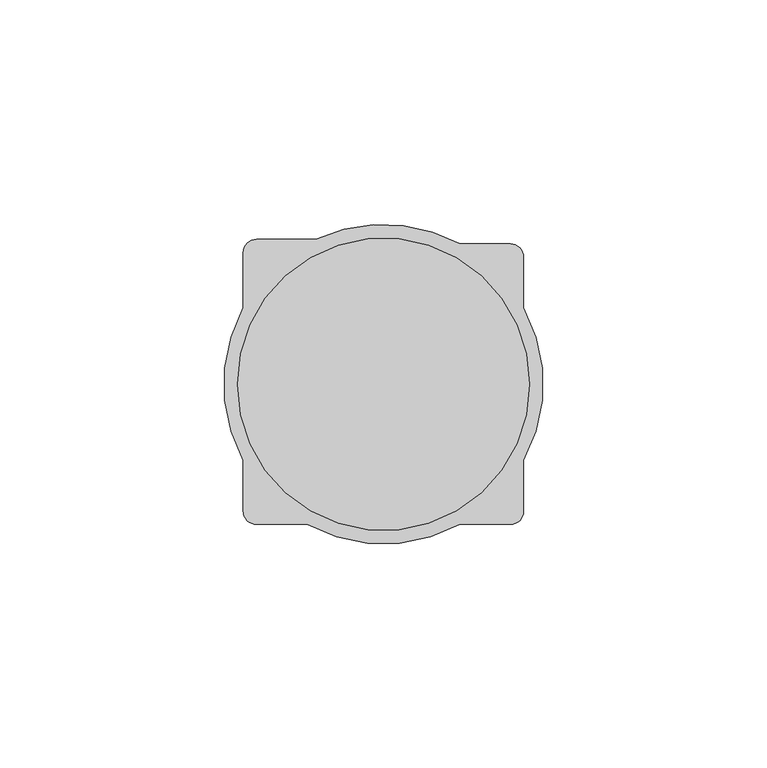
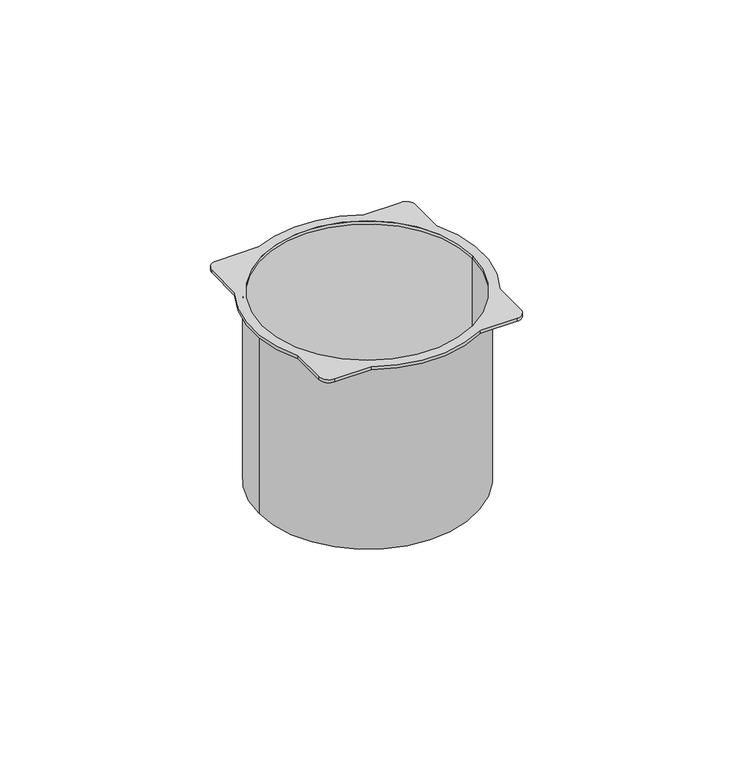
"""IFC4 building model written with IfcOpenShell, lengths in millimetres: proxy geometry."""

from ifc_helpers import new_model, si_unit, point, frame, origin, origin_with_axes, origin_2d, place, context, project, spatial, polyline, circle_curve, trimmed, segment, composite_curve, outline, extrude, source, transform, mapped, element, save
from ifc_brep_helpers import plane_surface, cylinder_surface, revolved_surface, advanced_brep


def electrical_fixtures_4da38d0d(model_context):
    return source(origin(), model_context, "Body", "SolidModel", [
        advanced_brep(
        [(33.5, 0.0, -60.0), (-33.5, 0.0, -60.0), (32.5, 0.0, -60.0), (-32.5, 0.0, -60.0), (-32.5, 0.0, 0.0), (32.5, 0.0, 0.0), (-33.5, 0.0, 0.0), (33.5, 0.0, 0.0), (31.1875, -16.9584741, 1.0), (31.1875, 16.9584741, 1.0), (31.1875, 28.1875, 1.0), (28.1875, 31.1875, 1.0), (16.9584741, 31.1875, 1.0), (-14.9738053, 32.1875, 1.0), (-28.1875, 32.1875, 1.0), (-31.1875, 29.1875, 1.0), (-31.1875, 16.9584741, 1.0), (-31.1875, -16.9584741, 1.0), (-31.1875, -28.1875, 1.0), (-28.1875, -31.1875, 1.0), (-16.9584741, -31.1875, 1.0), (16.9584741, -31.1875, 1.0), (28.1875, -31.1875, 1.0), (31.1875, -28.1875, 1.0), (-32.5, 0.0, 1.0), (32.5, 0.0, 1.0), (31.1875, -16.9584741, 0.0), (31.1875, -28.1875, 0.0), (28.1875, -31.1875, 0.0), (16.9584741, -31.1875, 0.0), (-16.9584741, -31.1875, 0.0), (-28.1875, -31.1875, 0.0), (-31.1875, -28.1875, 0.0), (-31.1875, -16.9584741, 0.0), (-31.1875, 16.9584741, 0.0), (-31.1875, 29.1875, 0.0), (-28.1875, 32.1875, 0.0), (-14.9738053, 32.1875, 0.0), (16.9584741, 31.1875, 0.0), (28.1875, 31.1875, 0.0), (31.1875, 28.1875, 0.0), (31.1875, 16.9584741, 0.0)],
        [
            (0, 1, circle_curve(frame((0.0, 0.0, -60.0), z_axis=(0.0, 0.0, -1.0), x_axis=(1.0, 0.0, 0.0)), 33.5)),
            (1, 0, circle_curve(frame((0.0, 0.0, -60.0), z_axis=(0.0, 0.0, -1.0), x_axis=(1.0, 0.0, 0.0)), 33.5)),
            (2, 3, circle_curve(frame((0.0, 0.0, -60.0), z_axis=(0.0, 0.0, 1.0), x_axis=(1.0, 0.0, 0.0)), 32.5)),
            (3, 2, circle_curve(frame((0.0, 0.0, -60.0), z_axis=(0.0, 0.0, 1.0), x_axis=(1.0, 0.0, 0.0)), 32.5)),
            (3, 4),
            (4, 5, circle_curve(origin_with_axes(), 32.5)),
            (5, 2),
            (5, 4, circle_curve(origin_with_axes(), 32.5)),
            (1, 6),
            (6, 7, circle_curve(frame((0.0, 0.0, 0.0), z_axis=(0.0, 0.0, -1.0), x_axis=(1.0, 0.0, 0.0)), 33.5)),
            (7, 0),
            (7, 6, circle_curve(frame((0.0, 0.0, 0.0), z_axis=(0.0, 0.0, -1.0), x_axis=(1.0, 0.0, 0.0)), 33.5)),
            (8, 9, circle_curve(frame((0.0, 0.0, 1.0), z_axis=(0.0, 0.0, 1.0), x_axis=(1.0, 0.0, 0.0)), 35.5)),
            (9, 10),
            (10, 11, circle_curve(frame((28.1875, 28.1875, 1.0), z_axis=(0.0, 0.0, 1.0), x_axis=(-1.0, 0.0, 0.0)), 3.0)),
            (11, 12),
            (12, 13, circle_curve(frame((0.0, 0.0, 1.0), z_axis=(0.0, 0.0, 1.0), x_axis=(1.0, 0.0, 0.0)), 35.5)),
            (13, 14),
            (14, 15, circle_curve(frame((-28.1875, 29.1875, 1.0), z_axis=(0.0, 0.0, 1.0), x_axis=(1.0, 0.0, 0.0)), 3.0)),
            (15, 16),
            (16, 17, circle_curve(frame((0.0, 0.0, 1.0), z_axis=(0.0, 0.0, 1.0), x_axis=(1.0, 0.0, 0.0)), 35.5)),
            (17, 18),
            (18, 19, circle_curve(frame((-28.1875, -28.1875, 1.0), z_axis=(0.0, 0.0, 1.0), x_axis=(1.0, 0.0, 0.0)), 3.0)),
            (19, 20),
            (20, 21, circle_curve(frame((0.0, 0.0, 1.0), z_axis=(0.0, 0.0, 1.0), x_axis=(1.0, 0.0, 0.0)), 35.5)),
            (21, 22),
            (22, 23, circle_curve(frame((28.1875, -28.1875, 1.0), z_axis=(0.0, 0.0, 1.0), x_axis=(-1.0, 0.0, 0.0)), 3.0)),
            (23, 8),
            (24, 25, circle_curve(frame((0.0, 0.0, 1.0), z_axis=(0.0, 0.0, -1.0), x_axis=(1.0, 0.0, 0.0)), 32.5)),
            (25, 24, circle_curve(frame((0.0, 0.0, 1.0), z_axis=(0.0, 0.0, -1.0), x_axis=(1.0, 0.0, 0.0)), 32.5)),
            (26, 27),
            (27, 28, circle_curve(frame((28.1875, -28.1875, 0.0), z_axis=(0.0, 0.0, -1.0), x_axis=(-1.0, 0.0, 0.0)), 3.0)),
            (28, 29),
            (29, 30, circle_curve(frame((0.0, 0.0, 0.0), z_axis=(0.0, 0.0, -1.0), x_axis=(1.0, 0.0, 0.0)), 35.5)),
            (30, 31),
            (31, 32, circle_curve(frame((-28.1875, -28.1875, 0.0), z_axis=(0.0, 0.0, -1.0), x_axis=(1.0, 0.0, 0.0)), 3.0)),
            (32, 33),
            (33, 34, circle_curve(frame((0.0, 0.0, 0.0), z_axis=(0.0, 0.0, -1.0), x_axis=(1.0, 0.0, 0.0)), 35.5)),
            (34, 35),
            (35, 36, circle_curve(frame((-28.1875, 29.1875, 0.0), z_axis=(0.0, 0.0, -1.0), x_axis=(1.0, 0.0, 0.0)), 3.0)),
            (36, 37),
            (37, 38, circle_curve(frame((0.0, 0.0, 0.0), z_axis=(0.0, 0.0, -1.0), x_axis=(1.0, 0.0, 0.0)), 35.5)),
            (38, 39),
            (39, 40, circle_curve(frame((28.1875, 28.1875, 0.0), z_axis=(0.0, 0.0, -1.0), x_axis=(-1.0, 0.0, 0.0)), 3.0)),
            (40, 41),
            (41, 26, circle_curve(frame((0.0, 0.0, 0.0), z_axis=(0.0, 0.0, -1.0), x_axis=(1.0, 0.0, 0.0)), 35.5)),
            (15, 35),
            (34, 16),
            (23, 27),
            (26, 8),
            (10, 40),
            (39, 11),
            (38, 12),
            (13, 37),
            (36, 14),
            (18, 32),
            (31, 19),
            (30, 20),
            (21, 29),
            (28, 22),
            (9, 41),
            (17, 33),
            (24, 4),
            (5, 25),
        ],
        [
            plane_surface(frame((32.5, 0.0, -60.0), z_axis=(0.0, 0.0, -1.0), x_axis=(0.0, 1.0, 0.0))),
            revolved_surface(polyline([(32.5, 0.0, -60.0), (32.5, 0.0, 0.0)]), (0.0, 0.0, -60.0), (0.0, 0.0, -1.0)),
            cylinder_surface(origin_with_axes(), 33.5),
            plane_surface(frame((35.5, 0.0, 1.0), z_axis=(0.0, 0.0, 1.0), x_axis=(0.0, 1.0, 0.0))),
            plane_surface(frame((35.5, 0.0, 0.0), z_axis=(0.0, 0.0, -1.0), x_axis=(0.0, -1.0, 0.0))),
            plane_surface(frame((-31.1875, 29.1875, 1.0), z_axis=(-1.0, 0.0, 0.0), x_axis=(0.0, 0.0, -1.0))),
            plane_surface(frame((31.1875, -28.1875, 1.0), z_axis=(1.0, 0.0, 0.0), x_axis=(0.0, 0.0, -1.0))),
            cylinder_surface(frame((28.1875, 28.1875, 0.0), z_axis=(0.0, 0.0, 1.0), x_axis=(-1.0, 0.0, 0.0)), 3.0),
            plane_surface(frame((28.1875, 31.1875, 1.0), z_axis=(0.0, 1.0, 0.0), x_axis=(0.0, 0.0, -1.0))),
            plane_surface(frame((-14.9738053, 32.1875, 1.0), z_axis=(0.0, 1.0, 0.0), x_axis=(0.0, 0.0, -1.0))),
            cylinder_surface(frame((-28.1875, 29.1875, 0.0), z_axis=(0.0, 0.0, 1.0), x_axis=(1.0, 0.0, 0.0)), 3.0),
            cylinder_surface(frame((-28.1875, -28.1875, 0.0), z_axis=(0.0, 0.0, 1.0), x_axis=(1.0, 0.0, 0.0)), 3.0),
            plane_surface(frame((-28.1875, -31.1875, 1.0), z_axis=(0.0, -1.0, 0.0), x_axis=(0.0, 0.0, -1.0))),
            plane_surface(frame((16.9584741, -31.1875, 1.0), z_axis=(0.0, -1.0, 0.0), x_axis=(0.0, 0.0, -1.0))),
            cylinder_surface(frame((28.1875, -28.1875, 0.0), z_axis=(0.0, 0.0, 1.0), x_axis=(-1.0, 0.0, 0.0)), 3.0),
            plane_surface(frame((31.1875, 16.9584741, 1.0), z_axis=(1.0, 0.0, 0.0), x_axis=(0.0, 0.0, -1.0))),
            plane_surface(frame((-31.1875, -16.9584741, 1.0), z_axis=(-1.0, 0.0, 0.0), x_axis=(0.0, 0.0, -1.0))),
            cylinder_surface(origin_with_axes(), 35.5),
            revolved_surface(polyline([(32.5, 0.0, 0.0), (32.5, 0.0, 1.0)]), (0.0, 0.0, 0.0), (0.0, 0.0, -1.0)),
        ],
        [
            (0, [[1, 2], [3, 4]]),
            (1, [[-4, 5, 6, 7]]),
            (1, [[-3, -7, 8, -5]]),
            (2, [[-2, 9, 10, 11]]),
            (2, [[-1, -11, 12, -9]]),
            (3, [[13, 14, 15, 16, 17, 18, 19, 20, 21, 22, 23, 24, 25, 26, 27, 28], [29, 30]]),
            (4, [[31, 32, 33, 34, 35, 36, 37, 38, 39, 40, 41, 42, 43, 44, 45, 46], [-10, -12]]),
            (5, [[-20, 47, -39, 48]]),
            (6, [[-28, 49, -31, 50]]),
            (7, [[-15, 51, -44, 52]]),
            (8, [[-16, -52, -43, 53]]),
            (9, [[-18, 54, -41, 55]]),
            (10, [[-19, -55, -40, -47]]),
            (11, [[-23, 56, -36, 57]]),
            (12, [[-24, -57, -35, 58]]),
            (13, [[-26, 59, -33, 60]]),
            (14, [[-27, -60, -32, -49]]),
            (15, [[-14, 61, -45, -51]]),
            (16, [[-22, 62, -37, -56]]),
            (17, [[-13, -50, -46, -61]]),
            (17, [[-17, -53, -42, -54]]),
            (17, [[-21, -48, -38, -62]]),
            (17, [[-25, -58, -34, -59]]),
            (18, [[-29, 63, -8, 64]]),
            (18, [[-30, -64, -6, -63]]),
        ],
    ),
        extrude(outline(composite_curve([segment(trimmed(circle_curve(origin_2d(), 32.5), [point((32.5, 0.0))], [point((-32.5, 0.0))], False, "CARTESIAN"), True, "CONTINUOUS"), segment(trimmed(circle_curve(origin_2d(), 32.5), [point((-32.5, 0.0))], [point((32.5, 0.0))], False, "CARTESIAN"), True, "CONTINUOUS")], self_intersect=False)), frame((0.0, 0.0, -60.0), z_axis=(0.0, 0.0, 1.0), x_axis=(1.0, 0.0, 0.0)), (0.0, 0.0, 1.0), 1.0),
    ])


if __name__ == "__main__":
    model = new_model("IFC4")
    model_context = context("Model", 3, world=origin())
    ifc_project = project(units=[si_unit("LENGTHUNIT", "METRE", prefix="MILLI")], contexts=[model_context])
    site = spatial("IfcSite", under=ifc_project)
    building = spatial("IfcBuilding", under=site)
    placement = place(None, origin())
    electrical_fixtures_shape = electrical_fixtures_4da38d0d(model_context)
    element("IfcBuildingElementProxy", 1, Name="Electrical Fixtures", at=placement, inside=building, context=model_context, shape_type="MappedRepresentation", body=[
        mapped(electrical_fixtures_shape, transform((0.0, 0.0, 0.0), x_axis=(1.0, 0.0, 0.0), y_axis=(0.0, 1.0, 0.0), z_axis=(0.0, 0.0, 1.0))),
    ])
    save(model, "model.ifc")
